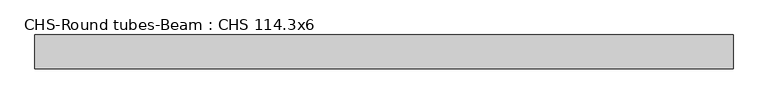
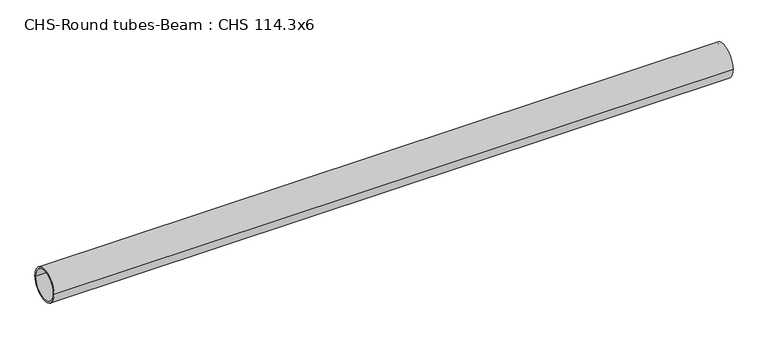
"""IFC4 building model written with IfcOpenShell, lengths in millimetres: beam geometry, CHS-Round tubes-Beam : CHS 114.3x6."""

from ifc_helpers import new_model, si_unit, point, frame, origin, origin_2d, place, context, project, spatial, circle_curve, trimmed, segment, composite_curve, outline, extrude, source, transform, mapped, element, save


def chs_round_tubes_beam_chs_114_3x6_759fb8af(model_context):
    return source(origin(), model_context, "Body", "SweptSolid", [
        extrude(outline(composite_curve([segment(trimmed(circle_curve(origin_2d(), 57.15), [point((57.15, 0.0))], [point((-57.15, 0.0))], False, "CARTESIAN"), True, "CONTINUOUS"), segment(trimmed(circle_curve(origin_2d(), 57.15), [point((-57.15, 0.0))], [point((57.15, 0.0))], False, "CARTESIAN"), True, "CONTINUOUS")], self_intersect=False), holes=[composite_curve([segment(trimmed(circle_curve(origin_2d(), 51.15), [point((51.15, 0.0))], [point((-51.15, 0.0))], True, "CARTESIAN"), True, "CONTINUOUS"), segment(trimmed(circle_curve(origin_2d(), 51.15), [point((-51.15, 0.0))], [point((51.15, 0.0))], True, "CARTESIAN"), True, "CONTINUOUS")], self_intersect=False)]), frame((-1118.2278489, 0.0, 0.0), z_axis=(1.0, 0.0, 0.0), x_axis=(0.0, 1.0, 0.0)), (0.0, 0.0, 1.0), 2348.9736973),
    ])


if __name__ == "__main__":
    model = new_model("IFC4")
    model_context = context("Model", 3, world=origin())
    ifc_project = project(units=[si_unit("LENGTHUNIT", "METRE", prefix="MILLI")], contexts=[model_context])
    site = spatial("IfcSite", under=ifc_project)
    building = spatial("IfcBuilding", under=site)
    placement = place(None, origin())
    chs_round_tubes_beam_chs_114_3x6_shape = chs_round_tubes_beam_chs_114_3x6_759fb8af(model_context)
    element("IfcBeam", 1, ObjectType="CHS-Round tubes-Beam : CHS 114.3x6", at=placement, inside=building, context=model_context, shape_type="MappedRepresentation", body=[
        mapped(chs_round_tubes_beam_chs_114_3x6_shape, transform((0.0, 0.0, 0.0), x_axis=(1.0, 0.0, 0.0), y_axis=(0.0, 1.0, 0.0), z_axis=(0.0, 0.0, 1.0))),
    ])
    save(model, "model.ifc")
